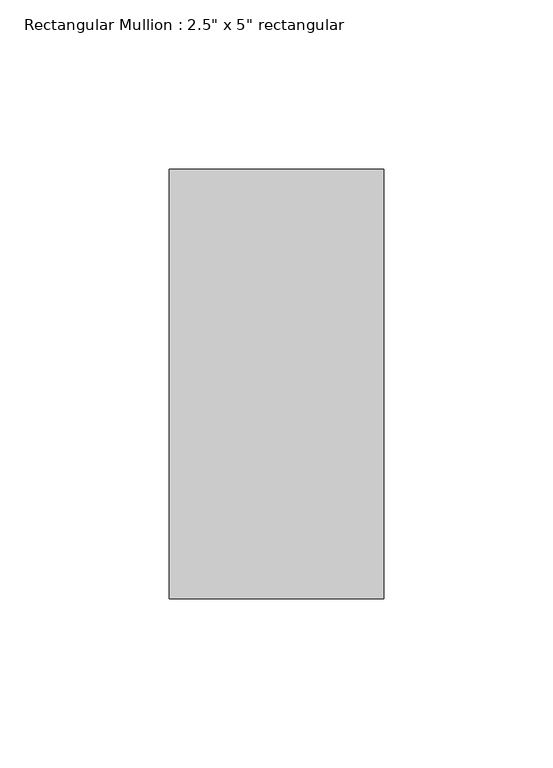
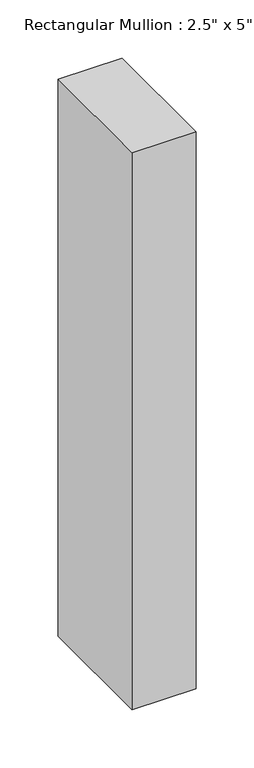
"""IFC4 building model written with IfcOpenShell, lengths in millimetres: member geometry."""

from ifc_helpers import new_model, si_unit, frame, origin, place, context, project, spatial, polyline, outline, extrude, source, transform, mapped, element, save


def member_623bfa76(model_context):
    return source(origin(), model_context, "Body", "SweptSolid", [
        extrude(outline(polyline([(0.0, 63.5), (0.0, -63.5), (-63.5, -63.5), (-63.5, 63.5), (0.0, 63.5)])), frame((0.0, 0.0, -584.2), z_axis=(0.0, 0.0, 1.0), x_axis=(1.0, 0.0, 0.0)), (0.0, 0.0, 1.0), 584.2),
    ])


if __name__ == "__main__":
    model = new_model("IFC4")
    model_context = context("Model", 3, world=origin())
    ifc_project = project(units=[si_unit("LENGTHUNIT", "METRE", prefix="MILLI")], contexts=[model_context])
    site = spatial("IfcSite", under=ifc_project)
    building = spatial("IfcBuilding", under=site)
    placement = place(None, origin())
    member_shape = member_623bfa76(model_context)
    element("IfcMember", 1, ObjectType="Rectangular Mullion : 2.5\" x 5\" rectangular", at=placement, inside=building, context=model_context, shape_type="MappedRepresentation", body=[
        mapped(member_shape, transform((0.0, 0.0, 0.0), x_axis=(1.0, 0.0, 0.0), y_axis=(0.0, 1.0, 0.0), z_axis=(0.0, 0.0, 1.0))),
    ])
    save(model, "model.ifc")
